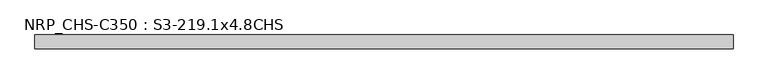
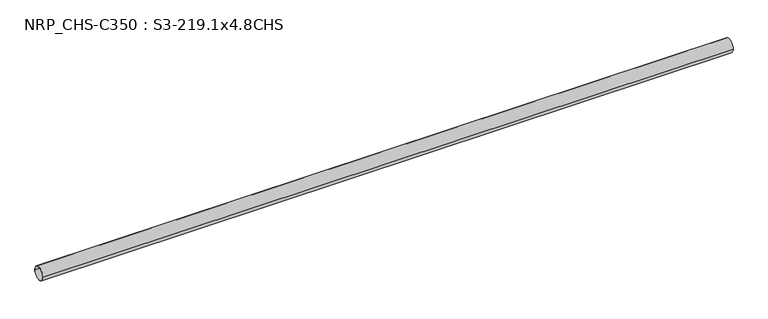
"""IFC4 building model written with IfcOpenShell, lengths in millimetres: beam geometry, NRP_CHS-C350 : S3-219.1x4.8CHS."""

from ifc_helpers import new_model, si_unit, point, frame, origin, origin_2d, place, context, project, spatial, circle_curve, trimmed, segment, composite_curve, outline, extrude, source, transform, mapped, element, save


def nrp_chs_c350_s3_219_1x4_8chs_b401a685(model_context):
    return source(origin(), model_context, "Body", "SweptSolid", [
        extrude(outline(composite_curve([segment(trimmed(circle_curve(origin_2d(), 109.55), [point((109.55, 0.0))], [point((-109.55, 0.0))], False, "CARTESIAN"), True, "CONTINUOUS"), segment(trimmed(circle_curve(origin_2d(), 109.55), [point((-109.55, 0.0))], [point((109.55, 0.0))], False, "CARTESIAN"), True, "CONTINUOUS")], self_intersect=False), holes=[composite_curve([segment(trimmed(circle_curve(origin_2d(), 104.75), [point((-104.75, 0.0))], [point((104.75, 0.0))], True, "CARTESIAN"), True, "CONTINUOUS"), segment(trimmed(circle_curve(origin_2d(), 104.75), [point((104.75, 0.0))], [point((-104.75, 0.0))], True, "CARTESIAN"), True, "CONTINUOUS")], self_intersect=False)]), frame((-5548.3, 0.0, 0.0), z_axis=(1.0, 0.0, 0.0), x_axis=(0.0, 1.0, 0.0)), (0.0, 0.0, 1.0), 11096.6),
    ])


if __name__ == "__main__":
    model = new_model("IFC4")
    model_context = context("Model", 3, world=origin())
    ifc_project = project(units=[si_unit("LENGTHUNIT", "METRE", prefix="MILLI")], contexts=[model_context])
    site = spatial("IfcSite", under=ifc_project)
    building = spatial("IfcBuilding", under=site)
    placement = place(None, origin())
    nrp_chs_c350_s3_219_1x4_8chs_shape = nrp_chs_c350_s3_219_1x4_8chs_b401a685(model_context)
    element("IfcBeam", 1, ObjectType="NRP_CHS-C350 : S3-219.1x4.8CHS", at=placement, inside=building, context=model_context, shape_type="MappedRepresentation", body=[
        mapped(nrp_chs_c350_s3_219_1x4_8chs_shape, transform((0.0, 0.0, 0.0), x_axis=(1.0, 0.0, 0.0), y_axis=(0.0, 1.0, 0.0), z_axis=(0.0, 0.0, 1.0))),
    ])
    save(model, "model.ifc")
